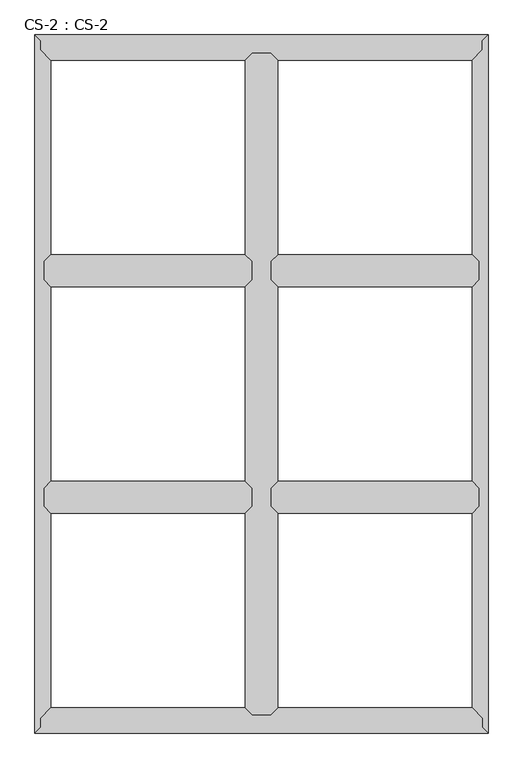
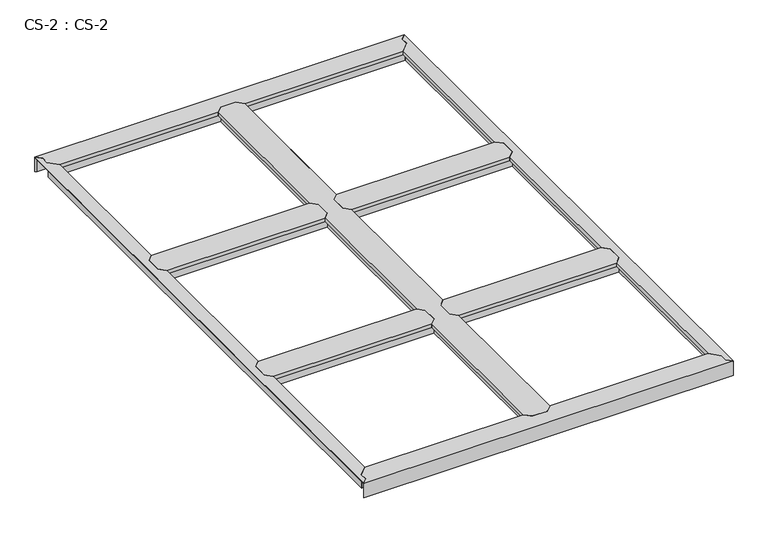
"""IFC4 building model written with IfcOpenShell, lengths in millimetres: proxy geometry, CS-2 : CS-2."""

from ifc_helpers import new_model, si_unit, origin, place, context, project, spatial, faceted_brep, source, transform, mapped, element, save


def cs_2_cs_2_67a8f64f(model_context):
    return source(origin(), model_context, "Body", "Brep", [
        faceted_brep([(845.82, 2438.4, 46.355), (845.82, 2438.4, 0.0), (838.835, 2438.4, 0.0), (838.835, 2438.4, 63.5), (786.765, 2438.4, 63.5), (786.765, 2438.4, 0.0), (779.78, 2438.4, 0.0), (779.78, 2438.4, 46.355), (779.78, 2438.4, 66.675), (845.82, 2438.4, 66.675), (779.78, 66.04, 46.355), (779.78, 66.04, 0.0), (786.765, 66.04, 0.0), (786.765, 66.04, 63.5), (838.835, 66.04, 63.5), (838.835, 66.04, 0.0), (845.82, 66.04, 0.0), (845.82, 66.04, 46.355), (845.82, 66.04, 66.675), (779.78, 66.04, 66.675), (755.142, 90.678, 49.8094), (755.142, 90.678, 66.675), (755.142, 788.162, 66.675), (755.142, 788.162, 49.8094), (755.142, 2413.762, 66.675), (755.142, 2413.762, 49.8094), (755.142, 1716.278, 49.8094), (755.142, 1716.278, 66.675), (755.142, 903.478, 49.8094), (755.142, 903.478, 66.675), (755.142, 1600.962, 66.675), (755.142, 1600.962, 49.8094), (756.666, 89.154, 49.8094), (756.666, 789.686, 49.8094), (756.666, 2415.286, 49.8094), (756.666, 1714.754, 49.8094), (756.666, 901.954, 49.8094), (756.666, 1602.486, 49.8094), (756.666, 89.154, 64.643), (756.666, 789.686, 64.643), (756.666, 2415.286, 64.643), (756.666, 1714.754, 64.643), (756.666, 901.954, 64.643), (756.666, 1602.486, 64.643), (766.953, 78.867, 64.643), (766.953, 799.973, 64.643), (766.953, 2425.573, 64.643), (766.953, 1704.467, 64.643), (766.953, 891.667, 64.643), (766.953, 1612.773, 64.643), (766.953, 78.867, 46.355), (766.953, 799.973, 46.355), (766.953, 2425.573, 46.355), (766.953, 1704.467, 46.355), (766.953, 891.667, 46.355), (766.953, 1612.773, 46.355), (779.78, 812.8, 46.355), (779.78, 1691.64, 46.355), (779.78, 878.84, 46.355), (779.78, 1625.6, 46.355), (779.78, 812.8, 66.675), (779.78, 878.84, 66.675), (779.78, 1625.6, 66.675), (779.78, 1691.64, 66.675), (845.82, 1691.64, 46.355), (845.82, 1691.64, 66.675), (845.82, 1625.6, 66.675), (845.82, 1625.6, 46.355), (845.82, 878.84, 46.355), (845.82, 878.84, 66.675), (845.82, 812.8, 66.675), (845.82, 812.8, 46.355), (858.647, 78.867, 46.355), (858.647, 799.973, 46.355), (858.647, 2425.573, 46.355), (858.647, 1704.467, 46.355), (858.647, 891.667, 46.355), (858.647, 1612.773, 46.355), (858.647, 78.867, 64.643), (858.647, 799.973, 64.643), (858.647, 2425.573, 64.643), (858.647, 1704.467, 64.643), (858.647, 891.667, 64.643), (858.647, 1612.773, 64.643), (868.934, 89.154, 64.643), (868.934, 789.686, 64.643), (868.934, 2415.286, 64.643), (868.934, 1714.754, 64.643), (868.934, 901.954, 64.643), (868.934, 1602.486, 64.643), (868.934, 89.154, 49.8094), (868.934, 789.686, 49.8094), (868.934, 2415.286, 49.8094), (868.934, 1714.754, 49.8094), (868.934, 901.954, 49.8094), (868.934, 1602.486, 49.8094), (870.458, 90.678, 49.8094), (870.458, 788.162, 49.8094), (870.458, 2413.762, 49.8094), (870.458, 1716.278, 49.8094), (870.458, 903.478, 49.8094), (870.458, 1600.962, 49.8094), (870.458, 90.678, 66.675), (870.458, 788.162, 66.675), (870.458, 2413.762, 66.675), (870.458, 1716.278, 66.675), (870.458, 903.478, 66.675), (870.458, 1600.962, 66.675)], [[[0, 1, 2, 3, 4, 5, 6, 7, 8, 9]], [[10, 11, 12, 13, 14, 15, 16, 17, 18, 19]], [[20, 21, 22, 23]], [[24, 25, 26, 27]], [[28, 29, 30, 31]], [[32, 20, 23, 33]], [[25, 34, 35, 26]], [[36, 28, 31, 37]], [[38, 32, 33, 39]], [[34, 40, 41, 35]], [[42, 36, 37, 43]], [[44, 38, 39, 45]], [[40, 46, 47, 41]], [[48, 42, 43, 49]], [[50, 44, 45, 51]], [[46, 52, 53, 47]], [[54, 48, 49, 55]], [[10, 50, 51, 56]], [[52, 7, 57, 53]], [[58, 54, 55, 59]], [[7, 6, 11, 10, 56, 60, 61, 58, 59, 62, 63, 57]], [[6, 5, 12, 11]], [[5, 4, 13, 12]], [[4, 3, 14, 13]], [[3, 2, 15, 14]], [[2, 1, 16, 15]], [[1, 0, 64, 65, 66, 67, 68, 69, 70, 71, 17, 16]], [[72, 17, 71, 73]], [[0, 74, 75, 64]], [[76, 68, 67, 77]], [[78, 72, 73, 79]], [[74, 80, 81, 75]], [[82, 76, 77, 83]], [[84, 78, 79, 85]], [[80, 86, 87, 81]], [[88, 82, 83, 89]], [[90, 84, 85, 91]], [[86, 92, 93, 87]], [[94, 88, 89, 95]], [[96, 90, 91, 97]], [[92, 98, 99, 93]], [[100, 94, 95, 101]], [[102, 96, 97, 103]], [[98, 104, 105, 99]], [[106, 100, 101, 107]], [[9, 8, 24, 27, 63, 62, 30, 29, 61, 60, 22, 21, 19, 18, 102, 103, 70, 69, 106, 107, 66, 65, 105, 104]], [[10, 19, 21, 20, 32, 38, 44, 50]], [[18, 17, 72, 78, 84, 90, 96, 102]], [[0, 9, 104, 98, 92, 86, 80, 74]], [[8, 7, 52, 46, 40, 34, 25, 24]], [[60, 56, 51, 45, 39, 33, 23, 22]], [[58, 61, 29, 28, 36, 42, 48, 54]], [[62, 59, 55, 49, 43, 37, 31, 30]], [[57, 63, 27, 26, 35, 41, 47, 53]], [[69, 68, 76, 82, 88, 94, 100, 106]], [[71, 70, 103, 97, 91, 85, 79, 73]], [[65, 64, 75, 81, 87, 93, 99, 105]], [[67, 66, 107, 101, 95, 89, 83, 77]]]),
        faceted_brep([(1592.58, 812.8, 46.355), (1592.58, 812.8, 0.0), (1592.58, 819.785, 0.0), (1592.58, 819.785, 63.5), (1592.58, 871.855, 63.5), (1592.58, 871.855, 0.0), (1592.58, 878.84, 0.0), (1592.58, 878.84, 46.355), (1592.58, 878.84, 66.675), (1592.58, 812.8, 66.675), (845.82, 878.84, 46.355), (845.82, 878.84, 0.0), (845.82, 871.855, 0.0), (845.82, 871.855, 63.5), (845.82, 819.785, 63.5), (845.82, 819.785, 0.0), (845.82, 812.8, 0.0), (845.82, 812.8, 46.355), (845.82, 812.8, 66.675), (845.82, 878.84, 66.675), (870.458, 903.478, 66.675), (1567.942, 903.478, 66.675), (1567.942, 903.478, 49.8094), (870.458, 903.478, 49.8094), (1569.466, 901.954, 49.8094), (868.934, 901.954, 49.8094), (1569.466, 901.954, 64.643), (868.934, 901.954, 64.643), (1579.753, 891.667, 64.643), (858.647, 891.667, 64.643), (1579.753, 891.667, 46.355), (858.647, 891.667, 46.355), (1579.753, 799.973, 46.355), (858.647, 799.973, 46.355), (1579.753, 799.973, 64.643), (858.647, 799.973, 64.643), (1569.466, 789.686, 64.643), (868.934, 789.686, 64.643), (1569.466, 789.686, 49.8094), (868.934, 789.686, 49.8094), (1567.942, 788.162, 49.8094), (870.458, 788.162, 49.8094), (1567.942, 788.162, 66.675), (870.458, 788.162, 66.675)], [[[0, 1, 2, 3, 4, 5, 6, 7, 8, 9]], [[10, 11, 12, 13, 14, 15, 16, 17, 18, 19]], [[20, 21, 22, 23]], [[23, 22, 24, 25]], [[25, 24, 26, 27]], [[27, 26, 28, 29]], [[29, 28, 30, 31]], [[7, 10, 31, 30]], [[7, 6, 11, 10]], [[6, 5, 12, 11]], [[5, 4, 13, 12]], [[4, 3, 14, 13]], [[3, 2, 15, 14]], [[2, 1, 16, 15]], [[1, 0, 17, 16]], [[17, 0, 32, 33]], [[33, 32, 34, 35]], [[35, 34, 36, 37]], [[37, 36, 38, 39]], [[39, 38, 40, 41]], [[41, 40, 42, 43]], [[9, 8, 21, 20, 19, 18, 43, 42]], [[10, 19, 20, 23, 25, 27, 29, 31]], [[18, 17, 33, 35, 37, 39, 41, 43]], [[0, 9, 42, 40, 38, 36, 34, 32]], [[8, 7, 30, 28, 26, 24, 22, 21]]]),
        faceted_brep([(779.78, 812.8, 46.355), (779.78, 812.8, 0.0), (779.78, 819.785, 0.0), (779.78, 819.785, 63.5), (779.78, 871.855, 63.5), (779.78, 871.855, 0.0), (779.78, 878.84, 0.0), (779.78, 878.84, 46.355), (779.78, 878.84, 66.675), (779.78, 812.8, 66.675), (33.02, 878.84, 46.355), (33.02, 878.84, 0.0), (33.02, 871.855, 0.0), (33.02, 871.855, 63.5), (33.02, 819.785, 63.5), (33.02, 819.785, 0.0), (33.02, 812.8, 0.0), (33.02, 812.8, 46.355), (33.02, 812.8, 66.675), (33.02, 878.84, 66.675), (57.658, 903.478, 66.675), (755.142, 903.478, 66.675), (755.142, 903.478, 49.8094), (57.658, 903.478, 49.8094), (756.666, 901.954, 49.8094), (56.134, 901.954, 49.8094), (756.666, 901.954, 64.643), (56.134, 901.954, 64.643), (766.953, 891.667, 64.643), (45.847, 891.667, 64.643), (766.953, 891.667, 46.355), (45.847, 891.667, 46.355), (766.953, 799.973, 46.355), (45.847, 799.973, 46.355), (766.953, 799.973, 64.643), (45.847, 799.973, 64.643), (756.666, 789.686, 64.643), (56.134, 789.686, 64.643), (756.666, 789.686, 49.8094), (56.134, 789.686, 49.8094), (755.142, 788.162, 49.8094), (57.658, 788.162, 49.8094), (755.142, 788.162, 66.675), (57.658, 788.162, 66.675)], [[[0, 1, 2, 3, 4, 5, 6, 7, 8, 9]], [[10, 11, 12, 13, 14, 15, 16, 17, 18, 19]], [[20, 21, 22, 23]], [[23, 22, 24, 25]], [[25, 24, 26, 27]], [[27, 26, 28, 29]], [[29, 28, 30, 31]], [[7, 10, 31, 30]], [[7, 6, 11, 10]], [[6, 5, 12, 11]], [[5, 4, 13, 12]], [[4, 3, 14, 13]], [[3, 2, 15, 14]], [[2, 1, 16, 15]], [[1, 0, 17, 16]], [[17, 0, 32, 33]], [[33, 32, 34, 35]], [[35, 34, 36, 37]], [[37, 36, 38, 39]], [[39, 38, 40, 41]], [[41, 40, 42, 43]], [[9, 8, 21, 20, 19, 18, 43, 42]], [[10, 19, 20, 23, 25, 27, 29, 31]], [[18, 17, 33, 35, 37, 39, 41, 43]], [[0, 9, 42, 40, 38, 36, 34, 32]], [[8, 7, 30, 28, 26, 24, 22, 21]]]),
        faceted_brep([(1592.58, 1625.6, 46.355), (1592.58, 1625.6, 0.0), (1592.58, 1632.585, 0.0), (1592.58, 1632.585, 63.5), (1592.58, 1684.655, 63.5), (1592.58, 1684.655, 0.0), (1592.58, 1691.64, 0.0), (1592.58, 1691.64, 46.355), (1592.58, 1691.64, 66.675), (1592.58, 1625.6, 66.675), (845.82, 1691.64, 46.355), (845.82, 1691.64, 0.0), (845.82, 1684.655, 0.0), (845.82, 1684.655, 63.5), (845.82, 1632.585, 63.5), (845.82, 1632.585, 0.0), (845.82, 1625.6, 0.0), (845.82, 1625.6, 46.355), (845.82, 1625.6, 66.675), (845.82, 1691.64, 66.675), (870.458, 1716.278, 66.675), (1567.942, 1716.278, 66.675), (1567.942, 1716.278, 49.8094), (870.458, 1716.278, 49.8094), (1569.466, 1714.754, 49.8094), (868.934, 1714.754, 49.8094), (1569.466, 1714.754, 64.643), (868.934, 1714.754, 64.643), (1579.753, 1704.467, 64.643), (858.647, 1704.467, 64.643), (1579.753, 1704.467, 46.355), (858.647, 1704.467, 46.355), (1579.753, 1612.773, 46.355), (858.647, 1612.773, 46.355), (1579.753, 1612.773, 64.643), (858.647, 1612.773, 64.643), (1569.466, 1602.486, 64.643), (868.934, 1602.486, 64.643), (1569.466, 1602.486, 49.8094), (868.934, 1602.486, 49.8094), (1567.942, 1600.962, 49.8094), (870.458, 1600.962, 49.8094), (1567.942, 1600.962, 66.675), (870.458, 1600.962, 66.675)], [[[0, 1, 2, 3, 4, 5, 6, 7, 8, 9]], [[10, 11, 12, 13, 14, 15, 16, 17, 18, 19]], [[20, 21, 22, 23]], [[23, 22, 24, 25]], [[25, 24, 26, 27]], [[27, 26, 28, 29]], [[29, 28, 30, 31]], [[7, 10, 31, 30]], [[7, 6, 11, 10]], [[6, 5, 12, 11]], [[5, 4, 13, 12]], [[4, 3, 14, 13]], [[3, 2, 15, 14]], [[2, 1, 16, 15]], [[1, 0, 17, 16]], [[17, 0, 32, 33]], [[33, 32, 34, 35]], [[35, 34, 36, 37]], [[37, 36, 38, 39]], [[39, 38, 40, 41]], [[41, 40, 42, 43]], [[9, 8, 21, 20, 19, 18, 43, 42]], [[10, 19, 20, 23, 25, 27, 29, 31]], [[18, 17, 33, 35, 37, 39, 41, 43]], [[0, 9, 42, 40, 38, 36, 34, 32]], [[8, 7, 30, 28, 26, 24, 22, 21]]]),
        faceted_brep([(779.78, 1625.6, 46.355), (779.78, 1625.6, 0.0), (779.78, 1632.585, 0.0), (779.78, 1632.585, 63.5), (779.78, 1684.655, 63.5), (779.78, 1684.655, 0.0), (779.78, 1691.64, 0.0), (779.78, 1691.64, 46.355), (779.78, 1691.64, 66.675), (779.78, 1625.6, 66.675), (33.02, 1691.64, 46.355), (33.02, 1691.64, 0.0), (33.02, 1684.655, 0.0), (33.02, 1684.655, 63.5), (33.02, 1632.585, 63.5), (33.02, 1632.585, 0.0), (33.02, 1625.6, 0.0), (33.02, 1625.6, 46.355), (33.02, 1625.6, 66.675), (33.02, 1691.64, 66.675), (57.658, 1716.278, 66.675), (755.142, 1716.278, 66.675), (755.142, 1716.278, 49.8094), (57.658, 1716.278, 49.8094), (756.666, 1714.754, 49.8094), (56.134, 1714.754, 49.8094), (756.666, 1714.754, 64.643), (56.134, 1714.754, 64.643), (766.953, 1704.467, 64.643), (45.847, 1704.467, 64.643), (766.953, 1704.467, 46.355), (45.847, 1704.467, 46.355), (766.953, 1612.773, 46.355), (45.847, 1612.773, 46.355), (766.953, 1612.773, 64.643), (45.847, 1612.773, 64.643), (756.666, 1602.486, 64.643), (56.134, 1602.486, 64.643), (756.666, 1602.486, 49.8094), (56.134, 1602.486, 49.8094), (755.142, 1600.962, 49.8094), (57.658, 1600.962, 49.8094), (755.142, 1600.962, 66.675), (57.658, 1600.962, 66.675)], [[[0, 1, 2, 3, 4, 5, 6, 7, 8, 9]], [[10, 11, 12, 13, 14, 15, 16, 17, 18, 19]], [[20, 21, 22, 23]], [[23, 22, 24, 25]], [[25, 24, 26, 27]], [[27, 26, 28, 29]], [[29, 28, 30, 31]], [[7, 10, 31, 30]], [[7, 6, 11, 10]], [[6, 5, 12, 11]], [[5, 4, 13, 12]], [[4, 3, 14, 13]], [[3, 2, 15, 14]], [[2, 1, 16, 15]], [[1, 0, 17, 16]], [[17, 0, 32, 33]], [[33, 32, 34, 35]], [[35, 34, 36, 37]], [[37, 36, 38, 39]], [[39, 38, 40, 41]], [[41, 40, 42, 43]], [[9, 8, 21, 20, 19, 18, 43, 42]], [[10, 19, 20, 23, 25, 27, 29, 31]], [[18, 17, 33, 35, 37, 39, 41, 43]], [[0, 9, 42, 40, 38, 36, 34, 32]], [[8, 7, 30, 28, 26, 24, 22, 21]]]),
        faceted_brep([(1625.6, 0.0, 0.0), (0.0, 0.0, 0.0), (6.985, 6.985, 0.0), (1618.615, 6.985, 0.0), (1618.615, 6.985, 63.5), (6.985, 6.985, 63.5), (1604.01, 21.59, 63.5), (21.59, 21.59, 63.5), (21.59, 53.34, 63.5), (27.1106122, 59.055, 63.5), (1598.4893878, 59.055, 63.5), (1604.01, 53.34, 63.5), (1598.4893878, 59.055, 0.0), (27.1106122, 59.055, 0.0), (33.8580272, 66.04, 0.0), (1591.7419728, 66.04, 0.0), (1591.7419728, 66.04, 46.355), (33.8580272, 66.04, 46.355), (779.78, 66.04, 46.355), (779.78, 66.04, 66.675), (845.82, 66.04, 66.675), (845.82, 66.04, 46.355), (1579.3512653, 78.867, 46.355), (858.647, 78.867, 46.355), (46.2487347, 78.867, 46.355), (766.953, 78.867, 46.355), (1579.3512653, 78.867, 63.5), (858.647, 78.867, 63.5), (46.2487347, 78.867, 63.5), (766.953, 78.867, 63.5), (1569.4141633, 89.154, 63.5), (868.934, 89.154, 63.5), (56.1858367, 89.154, 63.5), (756.666, 89.154, 63.5), (1569.4141633, 89.154, 49.8094), (868.934, 89.154, 49.8094), (56.1858367, 89.154, 49.8094), (756.666, 89.154, 49.8094), (1567.942, 90.678, 49.8094), (870.458, 90.678, 49.8094), (57.658, 90.678, 49.8094), (755.142, 90.678, 49.8094), (1567.942, 90.678, 66.675), (870.458, 90.678, 66.675), (57.658, 90.678, 66.675), (755.142, 90.678, 66.675), (0.0, 0.0, 66.675), (1625.6, 0.0, 66.675), (1604.01, 21.59, 66.675), (1604.01, 53.34, 66.675), (21.59, 53.34, 66.675), (21.59, 21.59, 66.675)], [[[0, 1, 2, 3]], [[4, 3, 2, 5]], [[6, 4, 5, 7, 8, 9, 10, 11]], [[12, 10, 9, 13]], [[14, 15, 12, 13]], [[16, 15, 14, 17, 18, 19, 20, 21]], [[22, 16, 21, 23]], [[17, 24, 25, 18]], [[26, 22, 23, 27]], [[24, 28, 29, 25]], [[30, 26, 27, 31]], [[28, 32, 33, 29]], [[34, 30, 31, 35]], [[32, 36, 37, 33]], [[38, 34, 35, 39]], [[36, 40, 41, 37]], [[42, 38, 39, 43]], [[40, 44, 45, 41]], [[46, 47, 48, 49, 42, 43, 20, 19, 45, 44, 50, 51]], [[1, 0, 47, 46]], [[6, 48, 47, 0, 3, 4]], [[49, 11, 10, 12, 15, 16, 22, 26, 30, 34, 38, 42]], [[48, 6, 11, 49]], [[7, 51, 50, 8]], [[8, 50, 44, 40, 36, 32, 28, 24, 17, 14, 13, 9]], [[51, 7, 5, 2, 1, 46]], [[19, 18, 25, 29, 33, 37, 41, 45]], [[21, 20, 43, 39, 35, 31, 27, 23]]]),
        faceted_brep([(1625.6, 0.0, 66.675), (1625.6, 2504.44, 66.675), (1604.01, 2482.85, 66.675), (1604.01, 2451.1, 66.675), (1567.942, 2413.762, 66.675), (1567.942, 1716.278, 66.675), (1592.58, 1691.64, 66.675), (1592.58, 1625.6, 66.675), (1567.942, 1600.962, 66.675), (1567.942, 903.478, 66.675), (1592.58, 878.84, 66.675), (1592.58, 812.8, 66.675), (1567.942, 788.162, 66.675), (1567.942, 90.678, 66.675), (1604.01, 53.34, 66.675), (1604.01, 21.59, 66.675), (1625.6, 0.0, 63.5), (1625.6, 2504.44, 63.5), (1604.01, 21.59, 63.5), (1604.01, 53.34, 63.5), (1599.565, 57.9415141, 63.5), (1599.565, 2446.4984859, 63.5), (1604.01, 2451.1, 63.5), (1604.01, 2482.85, 63.5), (1599.565, 2446.4984859, 0.0), (1599.565, 57.9415141, 0.0), (1592.58, 65.1724648, 0.0), (1592.58, 2439.2675352, 0.0), (1592.58, 2439.2675352, 46.355), (1592.58, 65.1724648, 46.355), (1592.58, 812.8, 46.355), (1592.58, 878.84, 46.355), (1592.58, 1625.6, 46.355), (1592.58, 1691.64, 46.355), (1579.753, 2425.9888803, 46.355), (1579.753, 1704.467, 46.355), (1579.753, 78.4511197, 46.355), (1579.753, 799.973, 46.355), (1579.753, 1612.773, 46.355), (1579.753, 891.667, 46.355), (1579.753, 2425.9888803, 64.643), (1579.753, 1704.467, 64.643), (1579.753, 78.4511197, 64.643), (1579.753, 799.973, 64.643), (1579.753, 1612.773, 64.643), (1579.753, 891.667, 64.643), (1569.466, 2415.339662, 64.643), (1569.466, 1714.754, 64.643), (1569.466, 89.100338, 64.643), (1569.466, 789.686, 64.643), (1569.466, 1602.486, 64.643), (1569.466, 901.954, 64.643), (1569.466, 2415.339662, 49.8094), (1569.466, 1714.754, 49.8094), (1569.466, 89.100338, 49.8094), (1569.466, 789.686, 49.8094), (1569.466, 1602.486, 49.8094), (1569.466, 901.954, 49.8094), (1567.942, 2413.762, 49.8094), (1567.942, 1716.278, 49.8094), (1567.942, 90.678, 49.8094), (1567.942, 788.162, 49.8094), (1567.942, 1600.962, 49.8094), (1567.942, 903.478, 49.8094)], [[[0, 1, 2, 3, 4, 5, 6, 7, 8, 9, 10, 11, 12, 13, 14, 15]], [[1, 0, 16, 17]], [[17, 16, 18, 19, 20, 21, 22, 23]], [[24, 21, 20, 25]], [[26, 27, 24, 25]], [[28, 27, 26, 29, 30, 11, 10, 31, 32, 7, 6, 33]], [[34, 28, 33, 35]], [[29, 36, 37, 30]], [[38, 32, 31, 39]], [[40, 34, 35, 41]], [[36, 42, 43, 37]], [[44, 38, 39, 45]], [[46, 40, 41, 47]], [[42, 48, 49, 43]], [[50, 44, 45, 51]], [[52, 46, 47, 53]], [[48, 54, 55, 49]], [[56, 50, 51, 57]], [[58, 52, 53, 59]], [[54, 60, 61, 55]], [[62, 56, 57, 63]], [[4, 58, 59, 5]], [[60, 13, 12, 61]], [[8, 62, 63, 9]], [[23, 2, 1, 17]], [[3, 22, 21, 24, 27, 28, 34, 40, 46, 52, 58, 4]], [[2, 23, 22, 3]], [[18, 15, 14, 19]], [[19, 14, 13, 60, 54, 48, 42, 36, 29, 26, 25, 20]], [[15, 18, 16, 0]], [[7, 32, 38, 44, 50, 56, 62, 8]], [[33, 6, 5, 59, 53, 47, 41, 35]], [[11, 30, 37, 43, 49, 55, 61, 12]], [[31, 10, 9, 63, 57, 51, 45, 39]]]),
        faceted_brep([(0.0, 2504.44, 0.0), (1625.6, 2504.44, 0.0), (1618.615, 2497.455, 0.0), (6.985, 2497.455, 0.0), (6.985, 2497.455, 63.5), (1618.615, 2497.455, 63.5), (21.59, 2482.85, 63.5), (1604.01, 2482.85, 63.5), (1604.01, 2451.1, 63.5), (1598.4893878, 2445.385, 63.5), (27.1106122, 2445.385, 63.5), (21.59, 2451.1, 63.5), (27.1106122, 2445.385, 0.0), (1598.4893878, 2445.385, 0.0), (1591.7419728, 2438.4, 0.0), (33.8580272, 2438.4, 0.0), (33.8580272, 2438.4, 46.355), (1591.7419728, 2438.4, 46.355), (845.82, 2438.4, 46.355), (845.82, 2438.4, 66.675), (779.78, 2438.4, 66.675), (779.78, 2438.4, 46.355), (46.2487347, 2425.573, 46.355), (766.953, 2425.573, 46.355), (1579.3512653, 2425.573, 46.355), (858.647, 2425.573, 46.355), (46.2487347, 2425.573, 63.5), (766.953, 2425.573, 63.5), (1579.3512653, 2425.573, 63.5), (858.647, 2425.573, 63.5), (56.1858367, 2415.286, 63.5), (756.666, 2415.286, 63.5), (1569.4141633, 2415.286, 63.5), (868.934, 2415.286, 63.5), (56.1858367, 2415.286, 49.8094), (756.666, 2415.286, 49.8094), (1569.4141633, 2415.286, 49.8094), (868.934, 2415.286, 49.8094), (57.658, 2413.762, 49.8094), (755.142, 2413.762, 49.8094), (1567.942, 2413.762, 49.8094), (870.458, 2413.762, 49.8094), (57.658, 2413.762, 66.675), (755.142, 2413.762, 66.675), (1567.942, 2413.762, 66.675), (870.458, 2413.762, 66.675), (1625.6, 2504.44, 66.675), (0.0, 2504.44, 66.675), (21.59, 2482.85, 66.675), (21.59, 2451.1, 66.675), (1604.01, 2451.1, 66.675), (1604.01, 2482.85, 66.675)], [[[0, 1, 2, 3]], [[4, 3, 2, 5]], [[6, 4, 5, 7, 8, 9, 10, 11]], [[12, 10, 9, 13]], [[14, 15, 12, 13]], [[16, 15, 14, 17, 18, 19, 20, 21]], [[22, 16, 21, 23]], [[17, 24, 25, 18]], [[26, 22, 23, 27]], [[24, 28, 29, 25]], [[30, 26, 27, 31]], [[28, 32, 33, 29]], [[34, 30, 31, 35]], [[32, 36, 37, 33]], [[38, 34, 35, 39]], [[36, 40, 41, 37]], [[42, 38, 39, 43]], [[40, 44, 45, 41]], [[46, 47, 48, 49, 42, 43, 20, 19, 45, 44, 50, 51]], [[1, 0, 47, 46]], [[6, 48, 47, 0, 3, 4]], [[49, 11, 10, 12, 15, 16, 22, 26, 30, 34, 38, 42]], [[48, 6, 11, 49]], [[7, 51, 50, 8]], [[8, 50, 44, 40, 36, 32, 28, 24, 17, 14, 13, 9]], [[51, 7, 5, 2, 1, 46]], [[19, 18, 25, 29, 33, 37, 41, 45]], [[21, 20, 43, 39, 35, 31, 27, 23]]]),
        faceted_brep([(0.0, 2504.44, 66.675), (0.0, 0.0, 66.675), (21.59, 21.59, 66.675), (21.59, 53.34, 66.675), (57.658, 90.678, 66.675), (57.658, 788.162, 66.675), (33.02, 812.8, 66.675), (33.02, 878.84, 66.675), (57.658, 903.478, 66.675), (57.658, 1600.962, 66.675), (33.02, 1625.6, 66.675), (33.02, 1691.64, 66.675), (57.658, 1716.278, 66.675), (57.658, 2413.762, 66.675), (21.59, 2451.1, 66.675), (21.59, 2482.85, 66.675), (0.0, 2504.44, 63.5), (0.0, 0.0, 63.5), (21.59, 2482.85, 63.5), (21.59, 2451.1, 63.5), (26.035, 2446.4984859, 63.5), (26.035, 57.9415141, 63.5), (21.59, 53.34, 63.5), (21.59, 21.59, 63.5), (26.035, 57.9415141, 0.0), (26.035, 2446.4984859, 0.0), (33.02, 2439.2675352, 0.0), (33.02, 65.1724648, 0.0), (33.02, 65.1724648, 46.355), (33.02, 2439.2675352, 46.355), (33.02, 1691.64, 46.355), (33.02, 1625.6, 46.355), (33.02, 878.84, 46.355), (33.02, 812.8, 46.355), (45.847, 78.4511197, 46.355), (45.847, 799.973, 46.355), (45.847, 2425.9888803, 46.355), (45.847, 1704.467, 46.355), (45.847, 891.667, 46.355), (45.847, 1612.773, 46.355), (45.847, 78.4511197, 64.643), (45.847, 799.973, 64.643), (45.847, 2425.9888803, 64.643), (45.847, 1704.467, 64.643), (45.847, 891.667, 64.643), (45.847, 1612.773, 64.643), (56.134, 89.100338, 64.643), (56.134, 789.686, 64.643), (56.134, 2415.339662, 64.643), (56.134, 1714.754, 64.643), (56.134, 901.954, 64.643), (56.134, 1602.486, 64.643), (56.134, 89.100338, 49.8094), (56.134, 789.686, 49.8094), (56.134, 2415.339662, 49.8094), (56.134, 1714.754, 49.8094), (56.134, 901.954, 49.8094), (56.134, 1602.486, 49.8094), (57.658, 90.678, 49.8094), (57.658, 788.162, 49.8094), (57.658, 2413.762, 49.8094), (57.658, 1716.278, 49.8094), (57.658, 903.478, 49.8094), (57.658, 1600.962, 49.8094)], [[[0, 1, 2, 3, 4, 5, 6, 7, 8, 9, 10, 11, 12, 13, 14, 15]], [[1, 0, 16, 17]], [[17, 16, 18, 19, 20, 21, 22, 23]], [[24, 21, 20, 25]], [[26, 27, 24, 25]], [[28, 27, 26, 29, 30, 11, 10, 31, 32, 7, 6, 33]], [[34, 28, 33, 35]], [[29, 36, 37, 30]], [[38, 32, 31, 39]], [[40, 34, 35, 41]], [[36, 42, 43, 37]], [[44, 38, 39, 45]], [[46, 40, 41, 47]], [[42, 48, 49, 43]], [[50, 44, 45, 51]], [[52, 46, 47, 53]], [[48, 54, 55, 49]], [[56, 50, 51, 57]], [[58, 52, 53, 59]], [[54, 60, 61, 55]], [[62, 56, 57, 63]], [[4, 58, 59, 5]], [[60, 13, 12, 61]], [[8, 62, 63, 9]], [[23, 2, 1, 17]], [[3, 22, 21, 24, 27, 28, 34, 40, 46, 52, 58, 4]], [[2, 23, 22, 3]], [[18, 15, 14, 19]], [[19, 14, 13, 60, 54, 48, 42, 36, 29, 26, 25, 20]], [[15, 18, 16, 0]], [[7, 32, 38, 44, 50, 56, 62, 8]], [[33, 6, 5, 59, 53, 47, 41, 35]], [[11, 30, 37, 43, 49, 55, 61, 12]], [[31, 10, 9, 63, 57, 51, 45, 39]]]),
    ])


if __name__ == "__main__":
    model = new_model("IFC4")
    model_context = context("Model", 3, world=origin())
    ifc_project = project(units=[si_unit("LENGTHUNIT", "METRE", prefix="MILLI")], contexts=[model_context])
    site = spatial("IfcSite", under=ifc_project)
    building = spatial("IfcBuilding", under=site)
    placement = place(None, origin())
    cs_2_cs_2_shape = cs_2_cs_2_67a8f64f(model_context)
    element("IfcBuildingElementProxy", 1, Name="CS-2 : CS-2", ObjectType="CS-2 : CS-2", at=placement, inside=building, context=model_context, shape_type="MappedRepresentation", body=[
        mapped(cs_2_cs_2_shape, transform((0.0, 0.0, 0.0), x_axis=(1.0, 0.0, 0.0), y_axis=(0.0, 1.0, 0.0), z_axis=(0.0, 0.0, 1.0))),
    ])
    save(model, "model.ifc")
